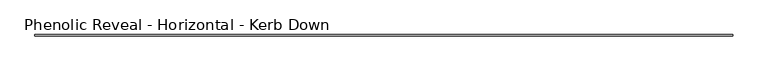
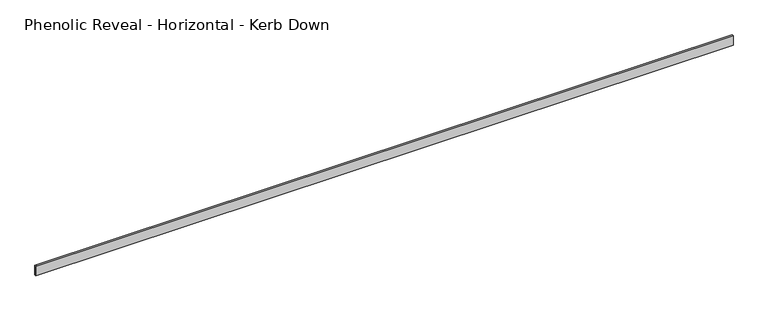
"""IFC4 building model written with IfcOpenShell, lengths in millimetres: proxy geometry, Phenolic Reveal - Horizontal - Kerb Down."""

from ifc_helpers import new_model, si_unit, origin, place, context, project, spatial, faceted_brep, source, transform, mapped, element, save


def phenolic_reveal_horizontal_kerb_down_fd26a7ce(model_context):
    return source(origin(), model_context, "Body", "Brep", [
        faceted_brep([(5255.6171875, 9.525, 0.0), (5255.6171875, 9.525, 76.2), (5255.6171875, 6.0765851, 76.2), (5255.6171875, 6.0765851, 0.0), (5255.6171875, 0.0, 76.2), (5255.6171875, 0.0, 0.0), (5255.6171875, 3.3757545, 0.0), (5255.6171875, 3.3757545, 76.2), (0.0, 9.525, 0.0), (0.0, 6.0765851, 0.0), (0.0, 6.0765851, 76.2), (0.0, 9.525, 76.2), (0.0, 3.3757545, 76.2), (0.0, 3.3757545, 0.0), (0.0, 0.0, 0.0), (0.0, 0.0, 76.2), (11.1125, 6.0765851, 76.2), (11.1125, 3.3757545, 76.2), (5244.5046875, 3.3757545, 76.2), (5244.5046875, 6.0765851, 76.2), (11.1125, 3.3757545, 10.8408985), (5244.5046875, 3.3757545, 10.8408985), (11.1125, 6.0765851, 10.8408985), (5244.5046875, 6.0765851, 10.8408985)], [[[0, 1, 2, 3]], [[4, 5, 6, 7]], [[8, 9, 10, 11]], [[12, 13, 14, 15]], [[1, 0, 8, 11]], [[1, 11, 10, 16, 17, 12, 15, 4, 7, 18, 19, 2]], [[5, 4, 15, 14]], [[13, 6, 5, 14]], [[12, 17, 20, 21, 18, 7, 6, 13]], [[21, 20, 22, 23]], [[2, 19, 23, 22, 16, 10, 9, 3]], [[0, 3, 9, 8]], [[18, 21, 23, 19]], [[20, 17, 16, 22]]]),
    ])


if __name__ == "__main__":
    model = new_model("IFC4")
    model_context = context("Model", 3, world=origin())
    ifc_project = project(units=[si_unit("LENGTHUNIT", "METRE", prefix="MILLI")], contexts=[model_context])
    site = spatial("IfcSite", under=ifc_project)
    building = spatial("IfcBuilding", under=site)
    placement = place(None, origin())
    phenolic_reveal_horizontal_kerb_down_shape = phenolic_reveal_horizontal_kerb_down_fd26a7ce(model_context)
    element("IfcBuildingElementProxy", 1, Name="Phenolic Reveal - Horizontal - Kerb Down", ObjectType="Phenolic Reveal - Horizontal - Kerb Down", at=placement, inside=building, context=model_context, shape_type="MappedRepresentation", body=[
        mapped(phenolic_reveal_horizontal_kerb_down_shape, transform((0.0, 0.0, 0.0), x_axis=(1.0, 0.0, 0.0), y_axis=(0.0, 1.0, 0.0), z_axis=(0.0, 0.0, 1.0))),
    ])
    save(model, "model.ifc")
